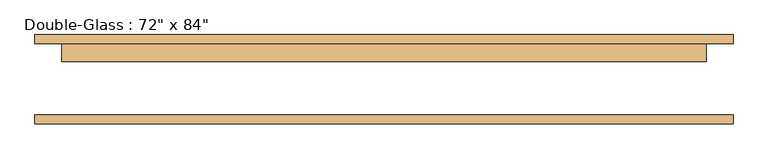
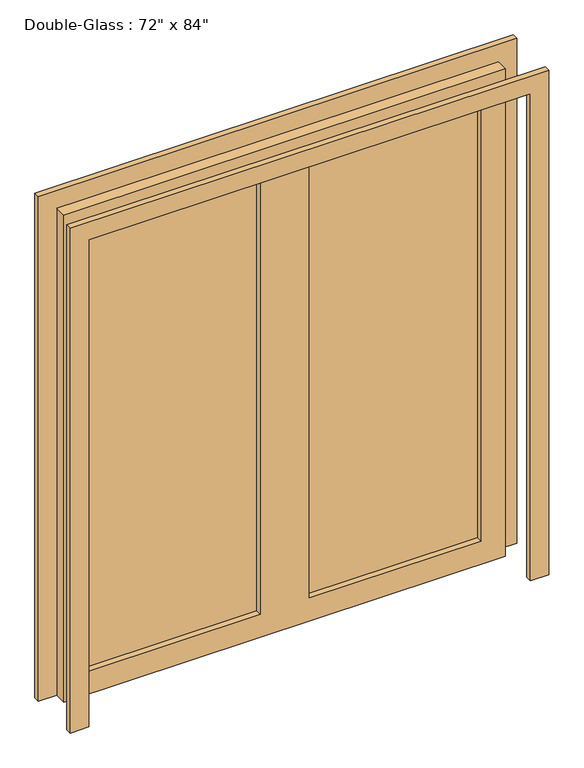
"""IFC4 building model written with IfcOpenShell, lengths in millimetres: door geometry."""

from ifc_helpers import new_model, si_unit, frame, origin, place, context, project, spatial, polyline, outline, extrude, source, transform, mapped, element, save


def door_a5cba548(model_context):
    return source(origin(), model_context, "Body", "SweptSolid", [
        extrude(outline(polyline([(0.0, 990.6), (2209.8, 990.6), (2209.8, -990.6), (0.0, -990.6), (0.0, -914.4), (2133.6, -914.4), (2133.6, 914.4), (0.0, 914.4), (0.0, 990.6)])), frame((0.0, -124.61875, 0.0), z_axis=(0.0, 1.0, 0.0), x_axis=(0.0, 0.0, 1.0)), (0.0, 0.0, 1.0), 25.4),
        extrude(outline(polyline([(2133.6, 914.4), (0.0, 914.4), (0.0, 990.6), (2209.8, 990.6), (2209.8, -990.6), (0.0, -990.6), (0.0, -914.4), (2133.6, -914.4), (2133.6, 914.4)])), frame((0.0, 103.98125, 0.0), z_axis=(0.0, 1.0, 0.0), x_axis=(0.0, 0.0, 1.0)), (0.0, 0.0, 1.0), 25.4),
        extrude(outline(polyline([(812.8, 78.58125), (101.6, 78.58125), (101.6, 85.725), (812.8, 85.725), (812.8, 78.58125)])), frame((0.0, 0.0, 101.6), z_axis=(0.0, 0.0, 1.0), x_axis=(1.0, 0.0, 0.0)), (0.0, 0.0, 1.0), 1930.4),
        extrude(outline(polyline([(-101.6, 78.58125), (-812.8, 78.58125), (-812.8, 85.725), (-101.6, 85.725), (-101.6, 78.58125)])), frame((0.0, 0.0, 101.6), z_axis=(0.0, 0.0, 1.0), x_axis=(1.0, 0.0, 0.0)), (0.0, 0.0, 1.0), 1930.4),
        extrude(outline(polyline([(2133.6, 914.4), (2133.6, -914.4), (0.0, -914.4), (0.0, 914.4), (2133.6, 914.4)]), holes=[polyline([(2032.0, -101.6), (101.6, -101.6), (101.6, -812.8), (2032.0, -812.8), (2032.0, -101.6)]), polyline([(2032.0, 812.8), (101.6, 812.8), (101.6, 101.6), (2032.0, 101.6), (2032.0, 812.8)])]), frame((0.0, 53.18125, 0.0), z_axis=(0.0, 1.0, 0.0), x_axis=(0.0, 0.0, 1.0)), (0.0, 0.0, 1.0), 50.8),
    ])


if __name__ == "__main__":
    model = new_model("IFC4")
    model_context = context("Model", 3, world=origin())
    ifc_project = project(units=[si_unit("LENGTHUNIT", "METRE", prefix="MILLI")], contexts=[model_context])
    site = spatial("IfcSite", under=ifc_project)
    building = spatial("IfcBuilding", under=site)
    placement = place(None, origin())
    door_shape = door_a5cba548(model_context)
    element("IfcDoor", 1, ObjectType="Double-Glass : 72\" x 84\"", at=placement, inside=building, context=model_context, shape_type="MappedRepresentation", body=[
        mapped(door_shape, transform((0.0, 0.0, 0.0), x_axis=(1.0, 0.0, 0.0), y_axis=(0.0, 1.0, 0.0), z_axis=(0.0, 0.0, 1.0))),
    ])
    save(model, "model.ifc")
